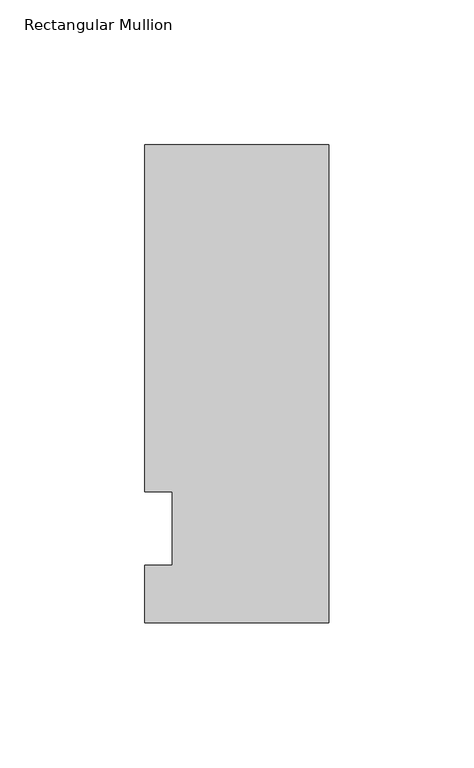
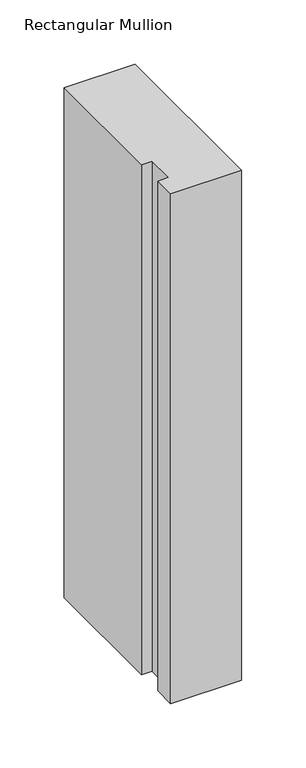
"""IFC4 building model written with IfcOpenShell, lengths in millimetres: member geometry, Rectangular Mullion."""

from ifc_helpers import new_model, si_unit, frame, origin, place, context, project, spatial, polyline, outline, extrude, source, transform, mapped, element, save


def rectangular_mullion_38aa4722(model_context):
    return source(origin(), model_context, "Body", "SweptSolid", [
        extrude(outline(polyline([(-63.5, -32.54375), (-63.5, -12.7), (-53.975, -12.7), (-53.975, 12.7), (-63.5, 12.7), (-63.5, 132.55625), (0.0, 132.55625), (0.0, -32.54375), (-63.5, -32.54375)])), frame((0.0, 0.0, -482.6), z_axis=(0.0, 0.0, 1.0), x_axis=(1.0, 0.0, 0.0)), (0.0, 0.0, 1.0), 482.6),
    ])


if __name__ == "__main__":
    model = new_model("IFC4")
    model_context = context("Model", 3, world=origin())
    ifc_project = project(units=[si_unit("LENGTHUNIT", "METRE", prefix="MILLI")], contexts=[model_context])
    site = spatial("IfcSite", under=ifc_project)
    building = spatial("IfcBuilding", under=site)
    placement = place(None, origin())
    rectangular_mullion_shape = rectangular_mullion_38aa4722(model_context)
    element("IfcMember", 1, ObjectType="Rectangular Mullion", at=placement, inside=building, context=model_context, shape_type="MappedRepresentation", body=[
        mapped(rectangular_mullion_shape, transform((0.0, 0.0, 0.0), x_axis=(1.0, 0.0, 0.0), y_axis=(0.0, 1.0, 0.0), z_axis=(0.0, 0.0, 1.0))),
    ])
    save(model, "model.ifc")
